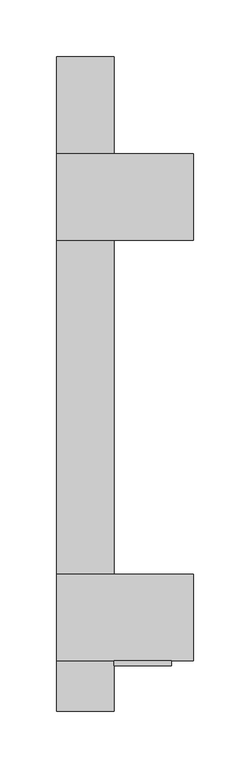
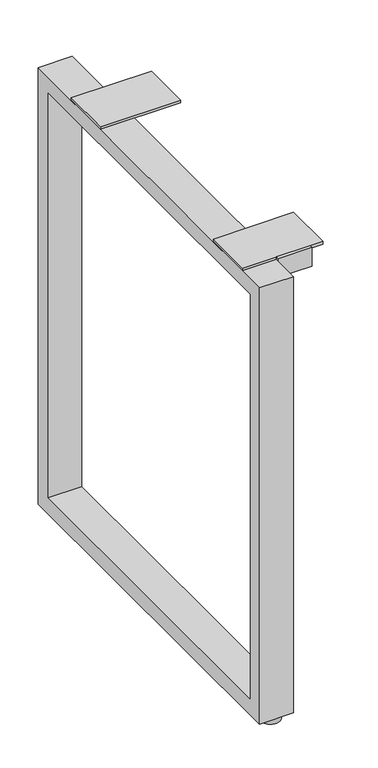
"""IFC4 building model written with IfcOpenShell, lengths in millimetres: furniture geometry."""

from ifc_helpers import new_model, si_unit, frame, origin, place, context, project, spatial, polyline, circle_curve, outline, extrude, source, transform, mapped, element, save
from ifc_brep_helpers import plane_surface, cylinder_surface, advanced_brep


def furniture_410e4f1f(model_context):
    return source(origin(), model_context, "Body", "SolidModel", [
        extrude(outline(polyline([(262.4640201, 702.6656222), (262.4640201, 8.6614), (-314.6239799, 8.6614), (-314.6239799, 702.6656222), (262.4640201, 702.6656222)]), holes=[polyline([(237.0640201, 677.2656222), (-289.2239799, 677.2656222), (-289.2239799, 34.0614), (237.0640201, 34.0614), (237.0640201, 677.2656222)])]), frame((-761.998801, 0.0, 0.0), z_axis=(1.0, 0.0, 0.0), x_axis=(0.0, 1.0, 0.0)), (0.0, 0.0, 1.0), 50.7994011),
        extrude(outline(polyline([(-274.4919799, 677.2910222), (-274.4919799, 707.0090222), (-270.1739799, 707.0090222), (-270.1739799, 681.6344222), (-249.0919799, 681.6344222), (-249.0919799, 677.2910222), (-274.4919799, 677.2910222)])), frame((-711.198801, 0.0, 0.0), z_axis=(1.0, 0.0, 0.0), x_axis=(0.0, 1.0, 0.0)), (0.0, 0.0, 1.0), 50.8),
        advanced_brep(
        [(-722.3116005, 246.5890201, 0.0), (-750.8866005, 246.5890201, 0.0), (-736.5991005, 246.5890201, 0.0), (-722.3116005, 246.5890201, 7.874), (-750.8866005, 246.5890201, 7.874), (-731.8366005, 246.5890201, 7.874), (-741.3616005, 246.5890201, 7.874), (-731.8366005, 246.5890201, 8.6614), (-741.3616005, 246.5890201, 8.6614), (-736.5991005, 246.5890201, 8.6614)],
        [
            (0, 1, circle_curve(frame((-736.5991005, 246.5890201, 0.0), z_axis=(0.0, 0.0, -1.0), x_axis=(-1.0, 0.0, 0.0)), 14.2875)),
            (1, 2),
            (2, 0),
            (1, 0, circle_curve(frame((-736.5991005, 246.5890201, 0.0), z_axis=(0.0, 0.0, -1.0), x_axis=(-1.0, 0.0, 0.0)), 14.2875)),
            (3, 4, circle_curve(frame((-736.5991005, 246.5890201, 7.874), z_axis=(0.0, 0.0, -1.0), x_axis=(-1.0, 0.0, 0.0)), 14.2875)),
            (4, 1),
            (0, 3),
            (4, 3, circle_curve(frame((-736.5991005, 246.5890201, 7.874), z_axis=(0.0, 0.0, -1.0), x_axis=(-1.0, 0.0, 0.0)), 14.2875)),
            (5, 6, circle_curve(frame((-736.5991005, 246.5890201, 7.874), z_axis=(0.0, 0.0, -1.0), x_axis=(-1.0, 0.0, 0.0)), 4.7625)),
            (6, 4),
            (3, 5),
            (6, 5, circle_curve(frame((-736.5991005, 246.5890201, 7.874), z_axis=(0.0, 0.0, -1.0), x_axis=(-1.0, 0.0, 0.0)), 4.7625)),
            (7, 8, circle_curve(frame((-736.5991005, 246.5890201, 8.6614), z_axis=(0.0, 0.0, -1.0), x_axis=(-1.0, 0.0, 0.0)), 4.7625)),
            (8, 6),
            (5, 7),
            (8, 7, circle_curve(frame((-736.5991005, 246.5890201, 8.6614), z_axis=(0.0, 0.0, -1.0), x_axis=(-1.0, 0.0, 0.0)), 4.7625)),
            (9, 8),
            (7, 9),
        ],
        [
            plane_surface(frame((-736.5991005, 246.5890201, 0.0), z_axis=(0.0, 0.0, -1.0), x_axis=(-1.0, 0.0, 0.0))),
            cylinder_surface(frame((-736.5991005, 246.5890201, -2.6032322), z_axis=(0.0, 0.0, 1.0), x_axis=(-1.0, 0.0, 0.0)), 14.2875),
            plane_surface(frame((-736.5991005, 246.5890201, 7.874), z_axis=(0.0, 0.0, 1.0), x_axis=(-1.0, 0.0, 0.0))),
            cylinder_surface(frame((-736.5991005, 246.5890201, -2.6032322), z_axis=(0.0, 0.0, 1.0), x_axis=(-1.0, 0.0, 0.0)), 4.7625),
            plane_surface(frame((-736.5991005, 246.5890201, 8.6614), z_axis=(0.0, 0.0, 1.0), x_axis=(-1.0, 0.0, 0.0))),
        ],
        [
            (0, [[1, 2, 3]]),
            (0, [[4, -3, -2]]),
            (1, [[5, 6, -1, 7]]),
            (1, [[8, -7, -4, -6]]),
            (2, [[9, 10, -5, 11]]),
            (2, [[12, -11, -8, -10]]),
            (3, [[13, 14, -9, 15]]),
            (3, [[16, -15, -12, -14]]),
            (4, [[17, -13, 18]]),
            (4, [[-18, -16, -17]]),
        ],
    ),
        extrude(outline(polyline([(-641.348801, -193.9739799), (-641.348801, -270.1739799), (-761.998801, -270.1739799), (-761.998801, -193.9739799), (-641.348801, -193.9739799)])), frame((0.0, 0.0, 702.6656222), z_axis=(0.0, 0.0, 1.0), x_axis=(1.0, 0.0, 0.0)), (0.0, 0.0, 1.0), 4.3434),
        extrude(outline(polyline([(-641.348801, 176.7390201), (-641.348801, 100.5390201), (-761.998801, 100.5390201), (-761.998801, 176.7390201), (-641.348801, 176.7390201)])), frame((0.0, 0.0, 702.6656222), z_axis=(0.0, 0.0, 1.0), x_axis=(1.0, 0.0, 0.0)), (0.0, 0.0, 1.0), 4.3434),
        advanced_brep(
        [(-722.3116005, -298.7489799, 0.0), (-750.8866005, -298.7489799, 0.0), (-736.5991005, -298.7489799, 0.0), (-722.3116005, -298.7489799, 7.874), (-750.8866005, -298.7489799, 7.874), (-731.8366005, -298.7489799, 7.874), (-741.3616005, -298.7489799, 7.874), (-731.8366005, -298.7489799, 8.6614), (-741.3616005, -298.7489799, 8.6614), (-736.5991005, -298.7489799, 8.6614)],
        [
            (0, 1, circle_curve(frame((-736.5991005, -298.7489799, 0.0), z_axis=(0.0, 0.0, -1.0), x_axis=(-1.0, 0.0, 0.0)), 14.2875)),
            (1, 2),
            (2, 0),
            (1, 0, circle_curve(frame((-736.5991005, -298.7489799, 0.0), z_axis=(0.0, 0.0, -1.0), x_axis=(-1.0, 0.0, 0.0)), 14.2875)),
            (3, 4, circle_curve(frame((-736.5991005, -298.7489799, 7.874), z_axis=(0.0, 0.0, -1.0), x_axis=(-1.0, 0.0, 0.0)), 14.2875)),
            (4, 1),
            (0, 3),
            (4, 3, circle_curve(frame((-736.5991005, -298.7489799, 7.874), z_axis=(0.0, 0.0, -1.0), x_axis=(-1.0, 0.0, 0.0)), 14.2875)),
            (5, 6, circle_curve(frame((-736.5991005, -298.7489799, 7.874), z_axis=(0.0, 0.0, -1.0), x_axis=(-1.0, 0.0, 0.0)), 4.7625)),
            (6, 4),
            (3, 5),
            (6, 5, circle_curve(frame((-736.5991005, -298.7489799, 7.874), z_axis=(0.0, 0.0, -1.0), x_axis=(-1.0, 0.0, 0.0)), 4.7625)),
            (7, 8, circle_curve(frame((-736.5991005, -298.7489799, 8.6614), z_axis=(0.0, 0.0, -1.0), x_axis=(-1.0, 0.0, 0.0)), 4.7625)),
            (8, 6),
            (5, 7),
            (8, 7, circle_curve(frame((-736.5991005, -298.7489799, 8.6614), z_axis=(0.0, 0.0, -1.0), x_axis=(-1.0, 0.0, 0.0)), 4.7625)),
            (9, 8),
            (7, 9),
        ],
        [
            plane_surface(frame((-736.5991005, -298.7489799, 0.0), z_axis=(0.0, 0.0, -1.0), x_axis=(-1.0, 0.0, 0.0))),
            cylinder_surface(frame((-736.5991005, -298.7489799, -2.6032322), z_axis=(0.0, 0.0, 1.0), x_axis=(-1.0, 0.0, 0.0)), 14.2875),
            plane_surface(frame((-736.5991005, -298.7489799, 7.874), z_axis=(0.0, 0.0, 1.0), x_axis=(-1.0, 0.0, 0.0))),
            cylinder_surface(frame((-736.5991005, -298.7489799, -2.6032322), z_axis=(0.0, 0.0, 1.0), x_axis=(-1.0, 0.0, 0.0)), 4.7625),
            plane_surface(frame((-736.5991005, -298.7489799, 8.6614), z_axis=(0.0, 0.0, 1.0), x_axis=(-1.0, 0.0, 0.0))),
        ],
        [
            (0, [[1, 2, 3]]),
            (0, [[4, -3, -2]]),
            (1, [[5, 6, -1, 7]]),
            (1, [[8, -7, -4, -6]]),
            (2, [[9, 10, -5, 11]]),
            (2, [[12, -11, -8, -10]]),
            (3, [[13, 14, -9, 15]]),
            (3, [[16, -15, -12, -14]]),
            (4, [[17, -13, 18]]),
            (4, [[-18, -16, -17]]),
        ],
    ),
    ])


if __name__ == "__main__":
    model = new_model("IFC4")
    model_context = context("Model", 3, world=origin())
    ifc_project = project(units=[si_unit("LENGTHUNIT", "METRE", prefix="MILLI")], contexts=[model_context])
    site = spatial("IfcSite", under=ifc_project)
    building = spatial("IfcBuilding", under=site)
    placement = place(None, origin())
    furniture_shape = furniture_410e4f1f(model_context)
    element("IfcFurniture", 1, at=placement, inside=building, context=model_context, shape_type="MappedRepresentation", body=[
        mapped(furniture_shape, transform((0.0, 0.0, 0.0), x_axis=(1.0, 0.0, 0.0), y_axis=(0.0, 1.0, 0.0), z_axis=(0.0, 0.0, 1.0))),
    ])
    save(model, "model.ifc")
